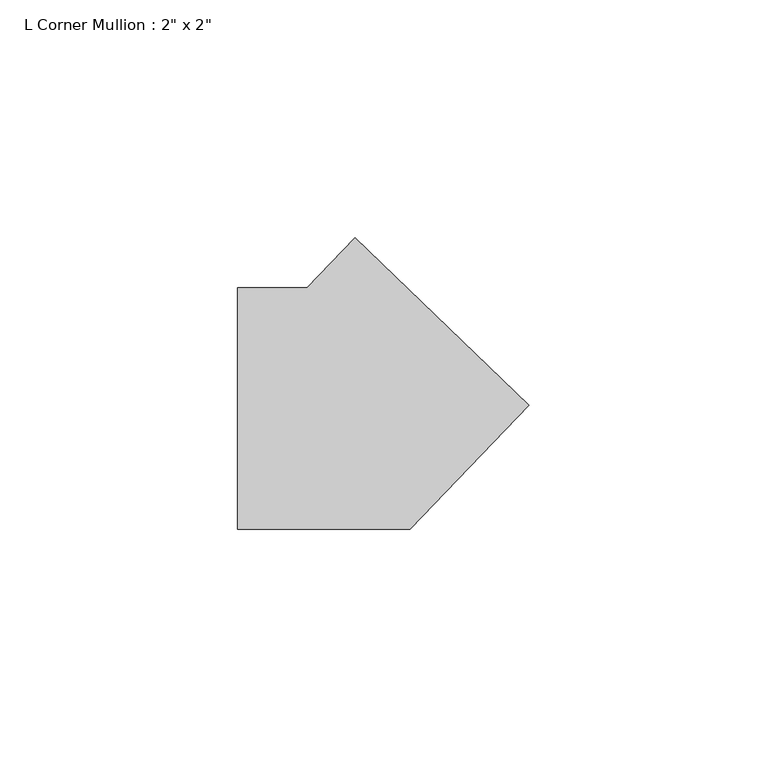
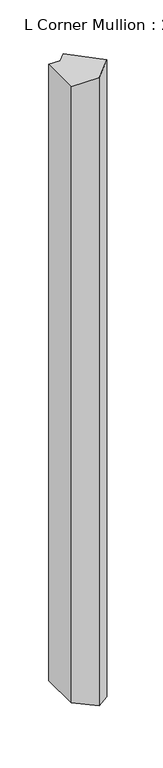
"""IFC4 building model written with IfcOpenShell, lengths in millimetres: member geometry."""

from ifc_helpers import new_model, si_unit, origin, place, context, project, spatial, faceted_brep, source, transform, mapped, element, save


def member_c155ffdb(model_context):
    return source(origin(), model_context, "Body", "Brep", [
        faceted_brep([(-0.7440862, 35.913317, 0.0), (35.913317, 0.7440862, 0.0), (35.913317, 0.7440862, -878.050399), (-0.7440862, 35.913317, -860.8640529), (-10.8305964, 25.4, 0.0), (-10.8305964, 25.4, -856.135124), (-25.4, 25.4, 0.0), (-25.4, 25.4, -849.3044488), (-25.4, -25.4, 0.0), (-25.4, -25.4, -849.3044488), (10.8305964, -25.4, 0.0), (10.8305964, -25.4, -866.2906921)], [[[0, 1, 2, 3]], [[4, 0, 3, 5]], [[6, 4, 5, 7]], [[8, 6, 7, 9]], [[10, 8, 9, 11]], [[1, 10, 11, 2]], [[1, 0, 4, 6, 8, 10]], [[2, 11, 9, 7, 5, 3]]]),
    ])


if __name__ == "__main__":
    model = new_model("IFC4")
    model_context = context("Model", 3, world=origin())
    ifc_project = project(units=[si_unit("LENGTHUNIT", "METRE", prefix="MILLI")], contexts=[model_context])
    site = spatial("IfcSite", under=ifc_project)
    building = spatial("IfcBuilding", under=site)
    placement = place(None, origin())
    member_shape = member_c155ffdb(model_context)
    element("IfcMember", 1, ObjectType="L Corner Mullion : 2\" x 2\"", at=placement, inside=building, context=model_context, shape_type="MappedRepresentation", body=[
        mapped(member_shape, transform((0.0, 0.0, 0.0), x_axis=(1.0, 0.0, 0.0), y_axis=(0.0, 1.0, 0.0), z_axis=(0.0, 0.0, 1.0))),
    ])
    save(model, "model.ifc")
